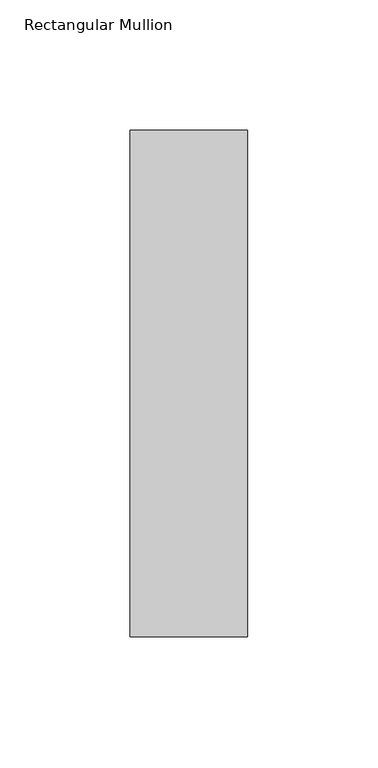
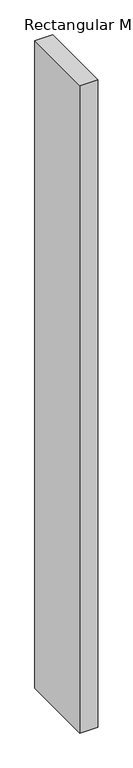
"""IFC4 building model written with IfcOpenShell, lengths in millimetres: member geometry, Rectangular Mullion."""

import ifcopenshell
import ifcopenshell.guid

model = None  # the IFC model being written
_history = None  # IfcOwnerHistory: only IFC2X3 demands one
_inside = {}  # id of a spatial element -> (the spatial element, [elements in it])
_under = {}  # id of a project, library or spatial element -> (it, [spatial elements below it])
_declared = {}  # id of a project -> (the project, [libraries it declares])
_typed = {}  # id of a type object -> (the type object, [elements of that type])
_made_of = {}  # id of a material, layer set ... -> (it, [elements and type objects made of it])


def new_model(schema):
    """Start an empty IFC model of exactly this schema.

    Asked for "IFC4X3", IfcOpenShell would pick the latest addendum, in which some entities
    have other attributes; the version numbers below select the first issue.
    IFC2X3 requires an IfcOwnerHistory on every rooted entity: one is made here for all.
    """
    global model, _history
    if schema == "IFC4X3":
        model = ifcopenshell.file(schema_version=(4, 3, 0, 0))
    else:
        model = ifcopenshell.file(schema=schema)
    _inside.clear()
    _under.clear()
    _declared.clear()
    _typed.clear()
    _made_of.clear()
    _history = None
    if model.schema == "IFC2X3":
        org = make("IfcOrganization", Name="unknown")
        user = make(
            "IfcPersonAndOrganization",
            ThePerson=make("IfcPerson", FamilyName="unknown"),
            TheOrganization=org,
        )
        app = make(
            "IfcApplication",
            ApplicationDeveloper=org,
            Version="unknown",
            ApplicationFullName="unknown",
            ApplicationIdentifier="unknown",
        )
        _history = make(
            "IfcOwnerHistory",
            OwningUser=user,
            OwningApplication=app,
            ChangeAction="ADDED",
            CreationDate=0,
        )
    return model


def make(cls, **values):
    """One entity of the class cls with the attributes given. An attribute that is None is left unset."""
    return model.create_entity(
        cls, **{name: value for name, value in values.items() if value is not None}
    )


def rooted(cls, **values):
    """An entity with a GlobalId (a new one), such as an element, a storey or a relation."""
    return make(cls, GlobalId=ifcopenshell.guid.new(), OwnerHistory=_history, **values)


def si_unit(unit_type, name, prefix=None):
    """IfcSIUnit, for example si_unit("LENGTHUNIT", "METRE", prefix="MILLI")."""
    return make("IfcSIUnit", UnitType=unit_type, Prefix=prefix, Name=name)


def assignment(units):
    """IfcUnitAssignment: the units of a project."""
    return None if units is None else make("IfcUnitAssignment", Units=units)


def point(xyz):
    """IfcCartesianPoint."""
    return None if xyz is None else make("IfcCartesianPoint", Coordinates=xyz)


def direction(xyz):
    """IfcDirection."""
    return None if xyz is None else make("IfcDirection", DirectionRatios=xyz)


def frame(location, z_axis=None, x_axis=None):
    """IfcAxis2Placement3D, a coordinate frame: its origin and axes. An axis left out is left unset."""
    return make(
        "IfcAxis2Placement3D",
        Location=point(location),
        Axis=direction(z_axis),
        RefDirection=direction(x_axis),
    )


def origin():
    """The frame at (0, 0, 0) with its axes left unset."""
    return frame((0.0, 0.0, 0.0))


def place(relative_to, where):
    """IfcLocalPlacement: puts the frame where relative to a parent placement (None: the world)."""
    return make(
        "IfcLocalPlacement", PlacementRelTo=relative_to, RelativePlacement=where
    )


def context(
    kind, dimensions, precision=None, world=None, true_north=None, identifier=None
):
    """IfcGeometricRepresentationContext, for example the 3D "Model" context."""
    return make(
        "IfcGeometricRepresentationContext",
        ContextIdentifier=identifier,
        ContextType=kind,
        CoordinateSpaceDimension=dimensions,
        Precision=precision,
        WorldCoordinateSystem=world,
        TrueNorth=true_north,
    )


def project(units=None, contexts=None):
    """IfcProject with its units and contexts."""
    return rooted(
        "IfcProject",
        Name="project",
        RepresentationContexts=contexts,
        UnitsInContext=assignment(units),
    )


def spatial(cls, under=None, at=None, **own):
    """A site, building, storey or space (cls), placed at a placement, below another one or the project."""
    s = rooted(cls, ObjectPlacement=at, **own)
    if under is not None:
        _under.setdefault(under.id(), (under, []))[1].append(s)
    return s


def polyline(points):
    """IfcPolyline through the points."""
    return make("IfcPolyline", Points=[point(p) for p in points])


def outline(outer, holes=None, kind="AREA"):
    """IfcArbitraryClosedProfileDef: a profile drawn as a closed curve; with holes, ...WithVoids."""
    if holes is None:
        return make("IfcArbitraryClosedProfileDef", ProfileType=kind, OuterCurve=outer)
    return make(
        "IfcArbitraryProfileDefWithVoids",
        ProfileType=kind,
        OuterCurve=outer,
        InnerCurves=holes,
    )


def extrude(swept, where, along, depth):
    """IfcExtrudedAreaSolid: the profile swept, set in the frame where, extruded along a direction by depth."""
    return make(
        "IfcExtrudedAreaSolid",
        SweptArea=swept,
        Position=where,
        ExtrudedDirection=direction(along),
        Depth=depth,
    )


def shape(context_of_items, identifier, shape_type, items):
    """IfcShapeRepresentation: the items that make up one representation, for example the "Body"."""
    return make(
        "IfcShapeRepresentation",
        ContextOfItems=context_of_items,
        RepresentationIdentifier=identifier,
        RepresentationType=shape_type,
        Items=items,
    )


def source(mapping_origin, context_of_items, identifier, shape_type, items):
    """IfcRepresentationMap: a shape defined once, which mapped items show again and again."""
    return make(
        "IfcRepresentationMap",
        MappingOrigin=mapping_origin,
        MappedRepresentation=shape(context_of_items, identifier, shape_type, items),
    )


def transform(
    local_origin,
    x_axis=None,
    y_axis=None,
    z_axis=None,
    scale=None,
    scale2=None,
    scale3=None,
    uniform=True,
):
    """IfcCartesianTransformationOperator3D, or its non-uniform kind. x_axis, y_axis, z_axis: its Axis1, 2, 3."""
    if uniform:
        return make(
            "IfcCartesianTransformationOperator3D",
            Axis1=direction(x_axis),
            Axis2=direction(y_axis),
            LocalOrigin=point(local_origin),
            Scale=scale,
            Axis3=direction(z_axis),
        )
    return make(
        "IfcCartesianTransformationOperator3DnonUniform",
        Axis1=direction(x_axis),
        Axis2=direction(y_axis),
        LocalOrigin=point(local_origin),
        Scale=scale,
        Axis3=direction(z_axis),
        Scale2=scale2,
        Scale3=scale3,
    )


def mapped(mapping_source, mapping_target):
    """IfcMappedItem: shows the shape of a source again, moved by a transform."""
    return make(
        "IfcMappedItem", MappingSource=mapping_source, MappingTarget=mapping_target
    )


def made_of(thing, what):
    """Note that an element or type object is made of a material, layer set ...; save() writes the relation."""
    if what is not None:
        _made_of.setdefault(what.id(), (what, []))[1].append(thing)
    return thing


def element(
    cls,
    number,
    at=None,
    inside=None,
    cuts=None,
    type_object=None,
    material=None,
    context=None,
    identifier="Body",
    shape_type=None,
    held_by="IfcProductDefinitionShape",
    body=None,
    shapes=None,
    **own,
):
    """One element of the class cls, such as IfcWall. Its Tag is "e" and its number.

    at: its placement. inside: the storey or other place that contains it. cuts: it is an
    opening in that element (IfcRelVoidsElement). A single representation is given by context,
    identifier, shape_type and body (its items); several are given by shapes. held_by: the class
    of the entity that holds the representations. save() writes the other relations.
    """
    e = rooted(cls, Tag="e%d" % number, ObjectPlacement=at, **own)
    if body is not None:
        shapes = [shape(context, identifier, shape_type, body)]
    if shapes is not None:
        e.Representation = make(held_by, Representations=shapes)
    if inside is not None:
        _inside.setdefault(inside.id(), (inside, []))[1].append(e)
    if cuts is not None:
        rooted(
            "IfcRelVoidsElement", RelatingBuildingElement=cuts, RelatedOpeningElement=e
        )
    if type_object is not None:
        _typed.setdefault(type_object.id(), (type_object, []))[1].append(e)
    return made_of(e, material)


def aggregate(whole, parts):
    """IfcRelAggregates: a whole, such as a stair, and the parts it consists of."""
    return rooted("IfcRelAggregates", RelatingObject=whole, RelatedObjects=parts)


def save(model, path):
    """Write the relations noted so far, then the file.

    IfcRelAggregates (storeys below a building ...), IfcRelContainedInSpatialStructure (elements
    in a storey), IfcRelDefinesByType, IfcRelAssociatesMaterial and IfcRelDeclares: one each for
    every whole, place, type object, material and project.
    """
    for whole, parts in _under.values():
        aggregate(whole, parts)
    for where, things in _inside.values():
        rooted(
            "IfcRelContainedInSpatialStructure",
            RelatedElements=things,
            RelatingStructure=where,
        )
    for kind, things in _typed.values():
        rooted("IfcRelDefinesByType", RelatedObjects=things, RelatingType=kind)
    for what, things in _made_of.values():
        rooted("IfcRelAssociatesMaterial", RelatedObjects=things, RelatingMaterial=what)
    for by, libraries in _declared.values():
        rooted("IfcRelDeclares", RelatingContext=by, RelatedDefinitions=libraries)
    model.write(path)


def rectangular_mullion_ed3e9365(model_context):
    return source(origin(), model_context, "Body", "SweptSolid", [
        extrude(outline(polyline([(22.5, 142.60625), (22.5, -51.60625), (-22.5, -51.60625), (-22.5, 142.60625), (22.5, 142.60625)])), frame((0.0, 0.0, -1708.8912252), z_axis=(0.0, 0.0, 1.0), x_axis=(1.0, 0.0, 0.0)), (0.0, 0.0, 1.0), 1708.8912252),
    ])


if __name__ == "__main__":
    model = new_model("IFC4")
    model_context = context("Model", 3, world=origin())
    ifc_project = project(units=[si_unit("LENGTHUNIT", "METRE", prefix="MILLI")], contexts=[model_context])
    site = spatial("IfcSite", under=ifc_project)
    building = spatial("IfcBuilding", under=site)
    placement = place(None, origin())
    rectangular_mullion_shape = rectangular_mullion_ed3e9365(model_context)
    element("IfcMember", 1, ObjectType="Rectangular Mullion", at=placement, inside=building, context=model_context, shape_type="MappedRepresentation", body=[
        mapped(rectangular_mullion_shape, transform((0.0, 0.0, 0.0), x_axis=(1.0, 0.0, 0.0), y_axis=(0.0, 1.0, 0.0), z_axis=(0.0, 0.0, 1.0))),
    ])
    save(model, "model.ifc")
